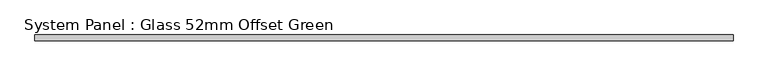
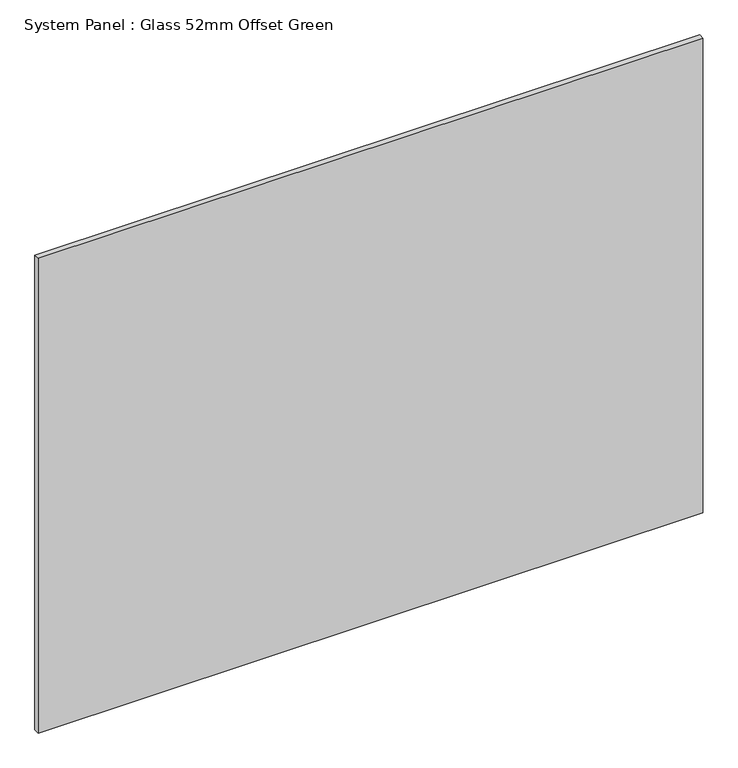
"""IFC4 building model written with IfcOpenShell, lengths in millimetres: plate geometry, System Panel : Glass 52mm Offset Green."""

from ifc_helpers import new_model, si_unit, origin, origin_with_axes, place, context, project, spatial, polyline, outline, extrude, source, transform, mapped, element, save


def system_panel_glass_52mm_offset_green_88afa2b9(model_context):
    return source(origin(), model_context, "Body", "SweptSolid", [
        extrude(outline(polyline([(610.0168198, -57.0), (-610.0168198, -57.0), (-610.0168198, -47.0), (610.0168198, -47.0), (610.0168198, -57.0)])), origin_with_axes(), (0.0, 0.0, 1.0), 921.5045338),
    ])


if __name__ == "__main__":
    model = new_model("IFC4")
    model_context = context("Model", 3, world=origin())
    ifc_project = project(units=[si_unit("LENGTHUNIT", "METRE", prefix="MILLI")], contexts=[model_context])
    site = spatial("IfcSite", under=ifc_project)
    building = spatial("IfcBuilding", under=site)
    placement = place(None, origin())
    system_panel_glass_52mm_offset_green_shape = system_panel_glass_52mm_offset_green_88afa2b9(model_context)
    element("IfcPlate", 1, ObjectType="System Panel : Glass 52mm Offset Green", at=placement, inside=building, context=model_context, shape_type="MappedRepresentation", body=[
        mapped(system_panel_glass_52mm_offset_green_shape, transform((0.0, 0.0, 0.0), x_axis=(1.0, 0.0, 0.0), y_axis=(0.0, 1.0, 0.0), z_axis=(0.0, 0.0, 1.0))),
    ])
    save(model, "model.ifc")
